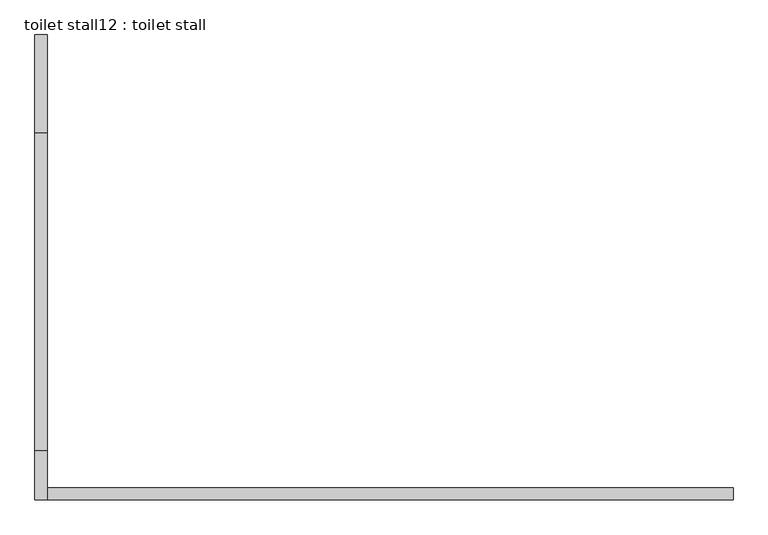
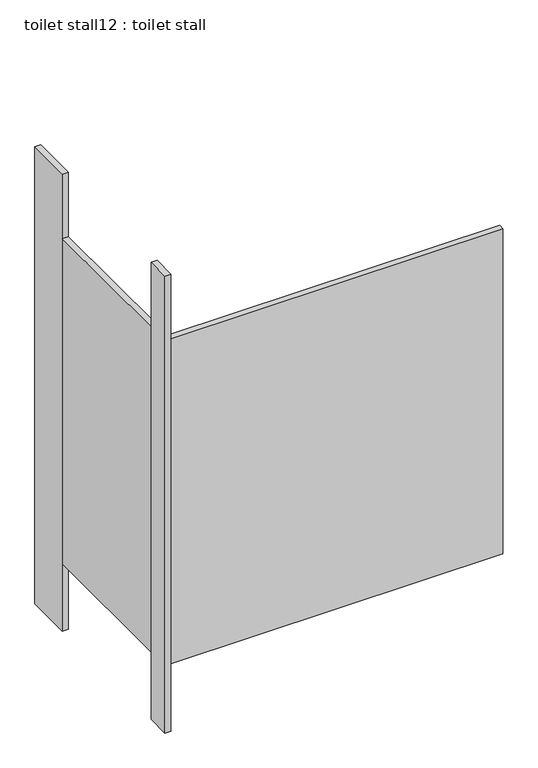
"""IFC4 building model written with IfcOpenShell, lengths in millimetres: proxy geometry, toilet stall12 : toilet stall."""

from ifc_helpers import new_model, si_unit, frame, origin, origin_with_axes, place, context, project, spatial, polyline, outline, extrude, source, transform, mapped, element, save


def toilet_stall12_toilet_stall_a9c54d51(model_context):
    return source(origin(), model_context, "Body", "SweptSolid", [
        extrude(outline(polyline([(454658.2004676, -274214.4113632), (454632.8004676, -274214.4113632), (454632.8004676, -274011.2113632), (454658.2004676, -274011.2113632), (454658.2004676, -274214.4113632)])), origin_with_axes(), (0.0, 0.0, 1.0), 2070.1),
        extrude(outline(polyline([(454658.2004676, -274976.4113632), (454632.8004676, -274976.4113632), (454632.8004676, -274874.8113632), (454658.2004676, -274874.8113632), (454658.2004676, -274976.4113632)])), origin_with_axes(), (0.0, 0.0, 1.0), 2070.1),
        extrude(outline(polyline([(454658.2004676, -274976.4113632), (454658.2004676, -274951.0113632), (456080.6004676, -274951.0113632), (456080.6004676, -274976.4113632), (454658.2004676, -274976.4113632)])), frame((0.0, 0.0, 304.8), z_axis=(0.0, 0.0, 1.0), x_axis=(1.0, 0.0, 0.0)), (0.0, 0.0, 1.0), 1473.2),
        extrude(outline(polyline([(454658.2004676, -274874.8113632), (454632.8004676, -274874.8113632), (454632.8004676, -274214.4113632), (454658.2004676, -274214.4113632), (454658.2004676, -274874.8113632)])), frame((0.0, 0.0, 304.8), z_axis=(0.0, 0.0, 1.0), x_axis=(1.0, 0.0, 0.0)), (0.0, 0.0, 1.0), 1473.2),
    ])


if __name__ == "__main__":
    model = new_model("IFC4")
    model_context = context("Model", 3, world=origin())
    ifc_project = project(units=[si_unit("LENGTHUNIT", "METRE", prefix="MILLI")], contexts=[model_context])
    site = spatial("IfcSite", under=ifc_project)
    building = spatial("IfcBuilding", under=site)
    placement = place(None, origin())
    toilet_stall12_toilet_stall_shape = toilet_stall12_toilet_stall_a9c54d51(model_context)
    element("IfcBuildingElementProxy", 1, Name="toilet stall12 : toilet stall", ObjectType="toilet stall12 : toilet stall", at=placement, inside=building, context=model_context, shape_type="MappedRepresentation", body=[
        mapped(toilet_stall12_toilet_stall_shape, transform((0.0, 0.0, 0.0), x_axis=(1.0, 0.0, 0.0), y_axis=(0.0, 1.0, 0.0), z_axis=(0.0, 0.0, 1.0))),
    ])
    save(model, "model.ifc")
